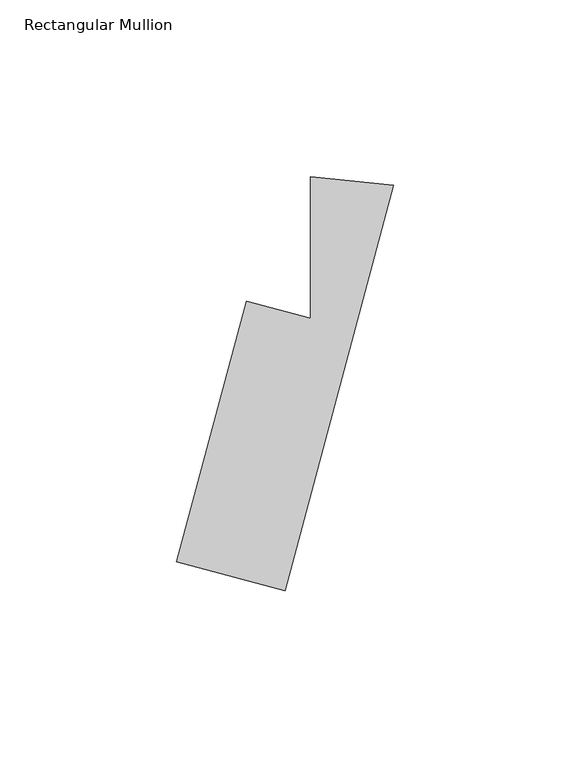
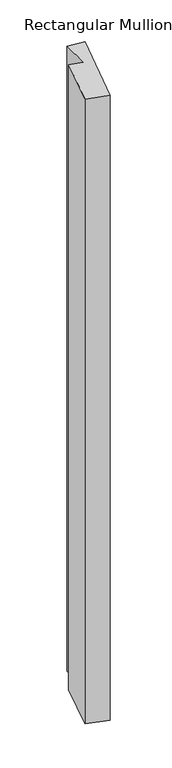
"""IFC4 building model written with IfcOpenShell, lengths in millimetres: member geometry, Rectangular Mullion."""

from ifc_helpers import new_model, si_unit, frame, origin, place, context, project, spatial, polyline, outline, extrude, source, transform, mapped, element, save


def rectangular_mullion_28cc9681(model_context):
    return source(origin(), model_context, "Body", "SweptSolid", [
        extrude(outline(polyline([(-42.3028305, -35.201849), (-24.159674, -40.0632931), (-24.159674, 0.0098685), (-0.6424803, -2.3977691), (-31.3824663, -117.1209586), (-62.0510822, -108.9033278), (-42.3028305, -35.201849)])), frame((0.0, 0.0, -936.5), z_axis=(0.0, 0.0, 1.0), x_axis=(1.0, 0.0, 0.0)), (0.0, 0.0, 1.0), 936.5),
    ])


if __name__ == "__main__":
    model = new_model("IFC4")
    model_context = context("Model", 3, world=origin())
    ifc_project = project(units=[si_unit("LENGTHUNIT", "METRE", prefix="MILLI")], contexts=[model_context])
    site = spatial("IfcSite", under=ifc_project)
    building = spatial("IfcBuilding", under=site)
    placement = place(None, origin())
    rectangular_mullion_shape = rectangular_mullion_28cc9681(model_context)
    element("IfcMember", 1, ObjectType="Rectangular Mullion", at=placement, inside=building, context=model_context, shape_type="MappedRepresentation", body=[
        mapped(rectangular_mullion_shape, transform((0.0, 0.0, 0.0), x_axis=(1.0, 0.0, 0.0), y_axis=(0.0, 1.0, 0.0), z_axis=(0.0, 0.0, 1.0))),
    ])
    save(model, "model.ifc")
